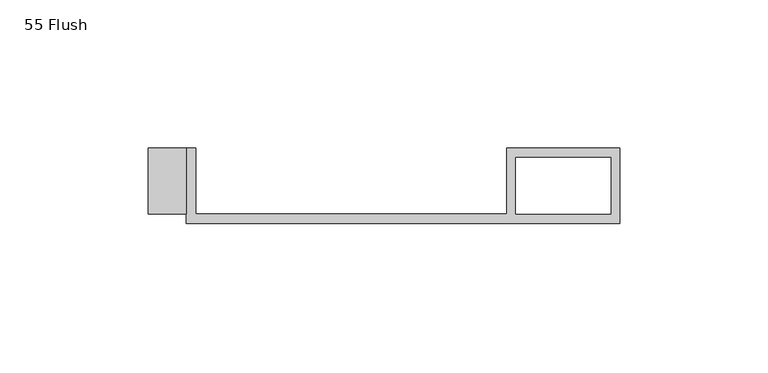
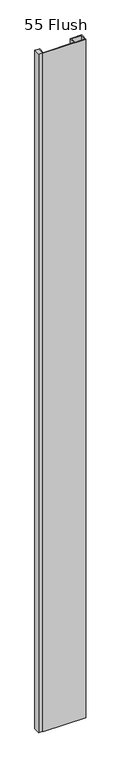
"""IFC4 building model written with IfcOpenShell, lengths in millimetres: proxy geometry, 55 Flush."""

from ifc_helpers import new_model, si_unit, origin, origin_with_axes, place, context, project, spatial, polyline, outline, extrude, source, transform, mapped, element, save


def proxy_55_flush_3eee29f4(model_context):
    return source(origin(), model_context, "Body", "SweptSolid", [
        extrude(outline(polyline([(-107.95, -22.225), (-120.65, -22.225), (-120.65, 0.0), (-107.95, 0.0), (-107.95, -22.225)])), origin_with_axes(), (0.0, 0.0, 1.0), 2438.4),
        extrude(outline(polyline([(-107.95, 0.0), (-104.775, 0.0), (-104.775, -22.225), (0.0, -22.225), (0.0, 0.0), (38.1, 0.0), (38.1, -25.4), (-107.95, -25.4), (-107.95, 0.0)]), holes=[polyline([(3.175, -3.175), (3.175, -22.225), (35.1499571, -22.225), (35.1499571, -3.175), (3.175, -3.175)])]), origin_with_axes(), (0.0, 0.0, 1.0), 2438.4),
    ])


if __name__ == "__main__":
    model = new_model("IFC4")
    model_context = context("Model", 3, world=origin())
    ifc_project = project(units=[si_unit("LENGTHUNIT", "METRE", prefix="MILLI")], contexts=[model_context])
    site = spatial("IfcSite", under=ifc_project)
    building = spatial("IfcBuilding", under=site)
    placement = place(None, origin())
    proxy_55_flush_shape = proxy_55_flush_3eee29f4(model_context)
    element("IfcBuildingElementProxy", 1, Name="55 Flush", ObjectType="55 Flush", at=placement, inside=building, context=model_context, shape_type="MappedRepresentation", body=[
        mapped(proxy_55_flush_shape, transform((0.0, 0.0, 0.0), x_axis=(1.0, 0.0, 0.0), y_axis=(0.0, 1.0, 0.0), z_axis=(0.0, 0.0, 1.0))),
    ])
    save(model, "model.ifc")
